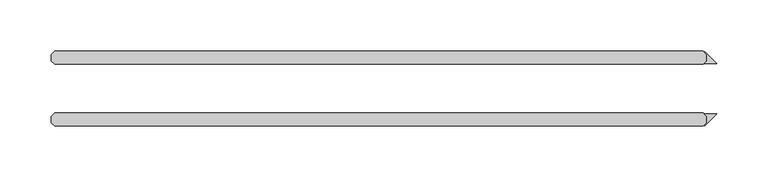
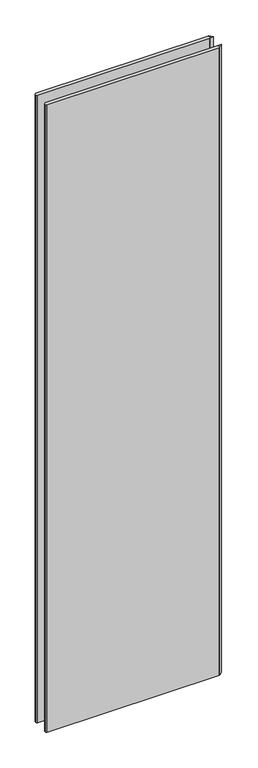
"""IFC4 building model written with IfcOpenShell, lengths in millimetres: plate geometry."""

from ifc_helpers import new_model, si_unit, origin, origin_with_axes, place, context, project, spatial, polyline, outline, extrude, source, transform, mapped, element, save


def plate_df1d109c(model_context):
    return source(origin(), model_context, "Body", "SweptSolid", [
        extrude(outline(polyline([(320.743093, 26.9875), (320.743093, 33.3375), (318.3196039, 35.7609891), (318.8808699, 36.3222551), (330.596875, 24.60625), (318.361843, 24.60625), (320.743093, 26.9875)])), origin_with_axes(), (0.0, 0.0, 1.0), 2428.7789267),
        extrude(outline(polyline([(320.743093, -26.9875), (318.361843, -24.60625), (330.596875, -24.60625), (318.8808699, -36.3222551), (318.3196039, -35.7609891), (320.743093, -33.3375), (320.743093, -26.9875)])), origin_with_axes(), (0.0, 0.0, 1.0), 2428.7789267),
        extrude(outline(polyline([(317.568093, 23.8125), (-313.928125, 23.8125), (-317.103125, 26.9875), (-317.103125, 33.3375), (-313.928125, 36.5125), (317.568093, 36.5125), (320.743093, 33.3375), (320.743093, 26.9875), (317.568093, 23.8125)])), origin_with_axes(), (0.0, 0.0, 1.0), 2428.7789267),
        extrude(outline(polyline([(317.568093, -36.5125), (-313.928125, -36.5125), (-317.103125, -33.3375), (-317.103125, -26.9875), (-313.928125, -23.8125), (317.568093, -23.8125), (320.743093, -26.9875), (320.743093, -33.3375), (317.568093, -36.5125)])), origin_with_axes(), (0.0, 0.0, 1.0), 2428.7789267),
    ])


if __name__ == "__main__":
    model = new_model("IFC4")
    model_context = context("Model", 3, world=origin())
    ifc_project = project(units=[si_unit("LENGTHUNIT", "METRE", prefix="MILLI")], contexts=[model_context])
    site = spatial("IfcSite", under=ifc_project)
    building = spatial("IfcBuilding", under=site)
    placement = place(None, origin())
    plate_shape = plate_df1d109c(model_context)
    element("IfcPlate", 1, at=placement, inside=building, context=model_context, shape_type="MappedRepresentation", body=[
        mapped(plate_shape, transform((0.0, 0.0, 0.0), x_axis=(1.0, 0.0, 0.0), y_axis=(0.0, 1.0, 0.0), z_axis=(0.0, 0.0, 1.0))),
    ])
    save(model, "model.ifc")
